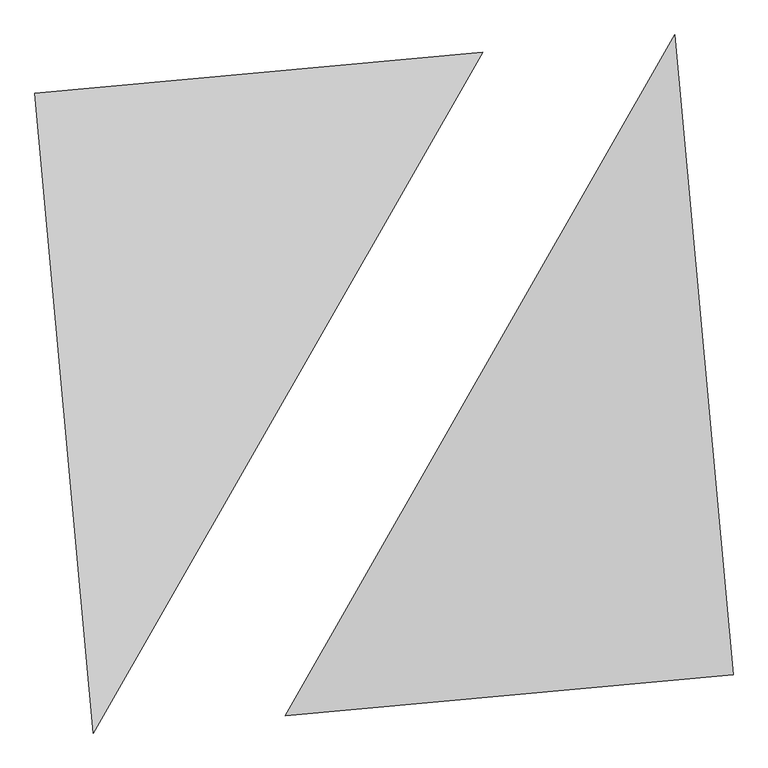
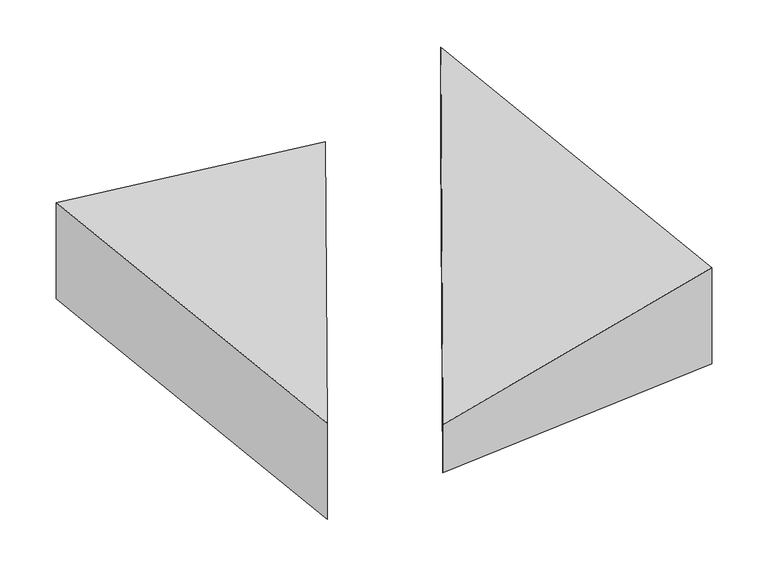
"""IFC4 building model written with IfcOpenShell, lengths in millimetres: proxy geometry."""

from ifc_helpers import new_model, si_unit, origin, place, context, project, spatial, faceted_brep, source, transform, mapped, element, save


def generic_models_08364fd5(model_context):
    return source(origin(), model_context, "Body", "Brep", [
        faceted_brep([(615.6430731, 2064.2150098, 0.0), (-2172.857905, 1810.7149209, 0.0), (-2172.857905, 1810.7149209, 1000.0), (615.6430731, 2064.2150098, 500.0), (-1810.7149209, -2172.857905, 0.0), (-1810.7149209, -2172.857905, 1000.0)], [[[0, 1, 2, 3]], [[1, 4, 5, 2]], [[4, 0, 3, 5]], [[3, 2, 5]], [[0, 4, 1]]]),
        faceted_brep([(2172.857905, -1810.7149209, 0.0), (1810.7149209, 2172.857905, 0.0), (1810.7149209, 2172.857905, 1000.0), (2172.857905, -1810.7149209, 1000.0), (-615.6430731, -2064.2150098, 0.0), (-615.6430731, -2064.2150098, 500.0)], [[[0, 1, 2, 3]], [[1, 4, 5, 2]], [[4, 0, 3, 5]], [[2, 5, 3]], [[0, 4, 1]]]),
    ])


if __name__ == "__main__":
    model = new_model("IFC4")
    model_context = context("Model", 3, world=origin())
    ifc_project = project(units=[si_unit("LENGTHUNIT", "METRE", prefix="MILLI")], contexts=[model_context])
    site = spatial("IfcSite", under=ifc_project)
    building = spatial("IfcBuilding", under=site)
    placement = place(None, origin())
    generic_models_shape = generic_models_08364fd5(model_context)
    element("IfcBuildingElementProxy", 1, Name="Generic Models", at=placement, inside=building, context=model_context, shape_type="MappedRepresentation", body=[
        mapped(generic_models_shape, transform((0.0, 0.0, 0.0), x_axis=(1.0, 0.0, 0.0), y_axis=(0.0, 1.0, 0.0), z_axis=(0.0, 0.0, 1.0))),
    ])
    save(model, "model.ifc")
